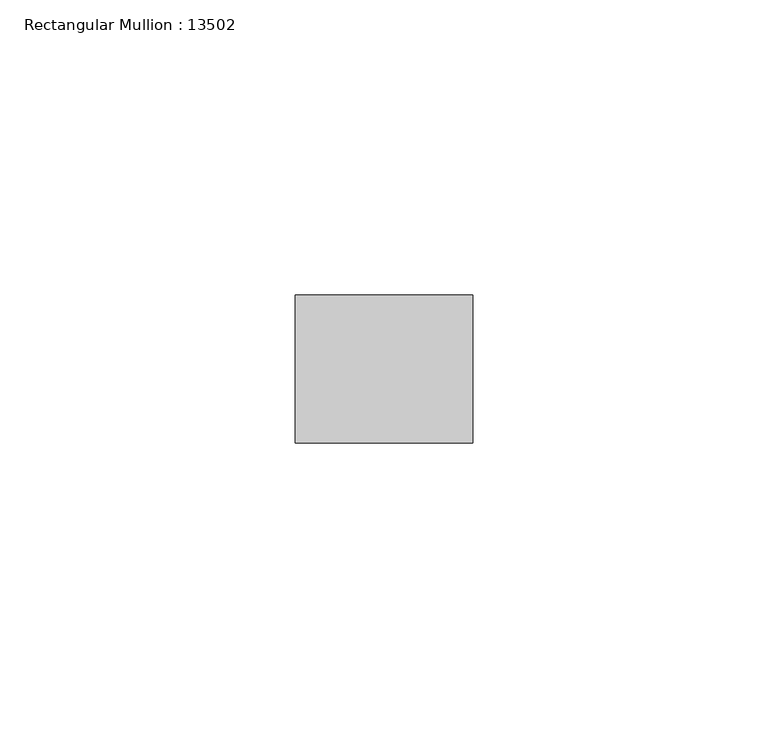
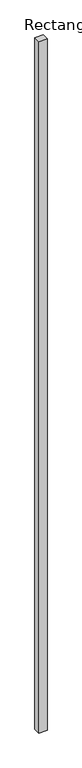
"""IFC4 building model written with IfcOpenShell, lengths in millimetres: member geometry, Rectangular Mullion : 13502."""

from ifc_helpers import new_model, si_unit, frame, origin, place, context, project, spatial, polyline, outline, extrude, source, transform, mapped, element, save


def rectangular_mullion_13502_b7adb786(model_context):
    return source(origin(), model_context, "Body", "SweptSolid", [
        extrude(outline(polyline([(0.0, -12.5), (-29.9999993, -12.5), (-29.9999993, 12.5), (0.0, 12.5), (0.0, -12.5)])), frame((0.0, 0.0, -2670.0000007), z_axis=(0.0, 0.0, 1.0), x_axis=(1.0, 0.0, 0.0)), (0.0, 0.0, 1.0), 2670.0000007),
    ])


if __name__ == "__main__":
    model = new_model("IFC4")
    model_context = context("Model", 3, world=origin())
    ifc_project = project(units=[si_unit("LENGTHUNIT", "METRE", prefix="MILLI")], contexts=[model_context])
    site = spatial("IfcSite", under=ifc_project)
    building = spatial("IfcBuilding", under=site)
    placement = place(None, origin())
    rectangular_mullion_13502_shape = rectangular_mullion_13502_b7adb786(model_context)
    element("IfcMember", 1, ObjectType="Rectangular Mullion : 13502", at=placement, inside=building, context=model_context, shape_type="MappedRepresentation", body=[
        mapped(rectangular_mullion_13502_shape, transform((0.0, 0.0, 0.0), x_axis=(1.0, 0.0, 0.0), y_axis=(0.0, 1.0, 0.0), z_axis=(0.0, 0.0, 1.0))),
    ])
    save(model, "model.ifc")
